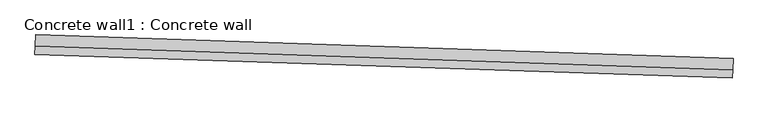
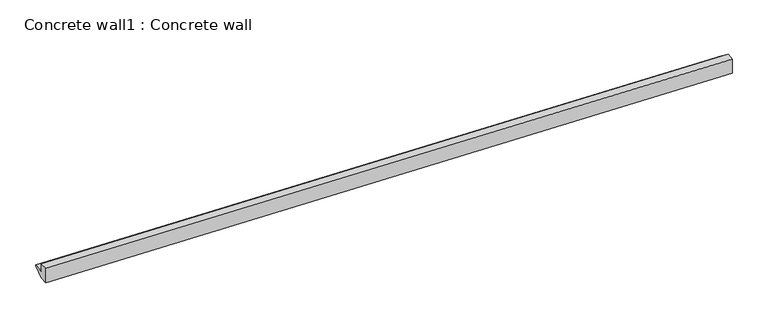
"""IFC4 building model written with IfcOpenShell, lengths in millimetres: proxy geometry, Concrete wall1 : Concrete wall."""

import ifcopenshell
import ifcopenshell.guid

model = None  # the IFC model being written
_history = None  # IfcOwnerHistory: only IFC2X3 demands one
_inside = {}  # id of a spatial element -> (the spatial element, [elements in it])
_under = {}  # id of a project, library or spatial element -> (it, [spatial elements below it])
_declared = {}  # id of a project -> (the project, [libraries it declares])
_typed = {}  # id of a type object -> (the type object, [elements of that type])
_made_of = {}  # id of a material, layer set ... -> (it, [elements and type objects made of it])


def new_model(schema):
    """Start an empty IFC model of exactly this schema.

    Asked for "IFC4X3", IfcOpenShell would pick the latest addendum, in which some entities
    have other attributes; the version numbers below select the first issue.
    IFC2X3 requires an IfcOwnerHistory on every rooted entity: one is made here for all.
    """
    global model, _history
    if schema == "IFC4X3":
        model = ifcopenshell.file(schema_version=(4, 3, 0, 0))
    else:
        model = ifcopenshell.file(schema=schema)
    _inside.clear()
    _under.clear()
    _declared.clear()
    _typed.clear()
    _made_of.clear()
    _history = None
    if model.schema == "IFC2X3":
        org = make("IfcOrganization", Name="unknown")
        user = make(
            "IfcPersonAndOrganization",
            ThePerson=make("IfcPerson", FamilyName="unknown"),
            TheOrganization=org,
        )
        app = make(
            "IfcApplication",
            ApplicationDeveloper=org,
            Version="unknown",
            ApplicationFullName="unknown",
            ApplicationIdentifier="unknown",
        )
        _history = make(
            "IfcOwnerHistory",
            OwningUser=user,
            OwningApplication=app,
            ChangeAction="ADDED",
            CreationDate=0,
        )
    return model


def make(cls, **values):
    """One entity of the class cls with the attributes given. An attribute that is None is left unset."""
    return model.create_entity(
        cls, **{name: value for name, value in values.items() if value is not None}
    )


def rooted(cls, **values):
    """An entity with a GlobalId (a new one), such as an element, a storey or a relation."""
    return make(cls, GlobalId=ifcopenshell.guid.new(), OwnerHistory=_history, **values)


def si_unit(unit_type, name, prefix=None):
    """IfcSIUnit, for example si_unit("LENGTHUNIT", "METRE", prefix="MILLI")."""
    return make("IfcSIUnit", UnitType=unit_type, Prefix=prefix, Name=name)


def assignment(units):
    """IfcUnitAssignment: the units of a project."""
    return None if units is None else make("IfcUnitAssignment", Units=units)


def point(xyz):
    """IfcCartesianPoint."""
    return None if xyz is None else make("IfcCartesianPoint", Coordinates=xyz)


def direction(xyz):
    """IfcDirection."""
    return None if xyz is None else make("IfcDirection", DirectionRatios=xyz)


def frame(location, z_axis=None, x_axis=None):
    """IfcAxis2Placement3D, a coordinate frame: its origin and axes. An axis left out is left unset."""
    return make(
        "IfcAxis2Placement3D",
        Location=point(location),
        Axis=direction(z_axis),
        RefDirection=direction(x_axis),
    )


def origin():
    """The frame at (0, 0, 0) with its axes left unset."""
    return frame((0.0, 0.0, 0.0))


def place(relative_to, where):
    """IfcLocalPlacement: puts the frame where relative to a parent placement (None: the world)."""
    return make(
        "IfcLocalPlacement", PlacementRelTo=relative_to, RelativePlacement=where
    )


def context(
    kind, dimensions, precision=None, world=None, true_north=None, identifier=None
):
    """IfcGeometricRepresentationContext, for example the 3D "Model" context."""
    return make(
        "IfcGeometricRepresentationContext",
        ContextIdentifier=identifier,
        ContextType=kind,
        CoordinateSpaceDimension=dimensions,
        Precision=precision,
        WorldCoordinateSystem=world,
        TrueNorth=true_north,
    )


def project(units=None, contexts=None):
    """IfcProject with its units and contexts."""
    return rooted(
        "IfcProject",
        Name="project",
        RepresentationContexts=contexts,
        UnitsInContext=assignment(units),
    )


def spatial(cls, under=None, at=None, **own):
    """A site, building, storey or space (cls), placed at a placement, below another one or the project."""
    s = rooted(cls, ObjectPlacement=at, **own)
    if under is not None:
        _under.setdefault(under.id(), (under, []))[1].append(s)
    return s


def polyline(points):
    """IfcPolyline through the points."""
    return make("IfcPolyline", Points=[point(p) for p in points])


def outline(outer, holes=None, kind="AREA"):
    """IfcArbitraryClosedProfileDef: a profile drawn as a closed curve; with holes, ...WithVoids."""
    if holes is None:
        return make("IfcArbitraryClosedProfileDef", ProfileType=kind, OuterCurve=outer)
    return make(
        "IfcArbitraryProfileDefWithVoids",
        ProfileType=kind,
        OuterCurve=outer,
        InnerCurves=holes,
    )


def extrude(swept, where, along, depth):
    """IfcExtrudedAreaSolid: the profile swept, set in the frame where, extruded along a direction by depth."""
    return make(
        "IfcExtrudedAreaSolid",
        SweptArea=swept,
        Position=where,
        ExtrudedDirection=direction(along),
        Depth=depth,
    )


def shape(context_of_items, identifier, shape_type, items):
    """IfcShapeRepresentation: the items that make up one representation, for example the "Body"."""
    return make(
        "IfcShapeRepresentation",
        ContextOfItems=context_of_items,
        RepresentationIdentifier=identifier,
        RepresentationType=shape_type,
        Items=items,
    )


def source(mapping_origin, context_of_items, identifier, shape_type, items):
    """IfcRepresentationMap: a shape defined once, which mapped items show again and again."""
    return make(
        "IfcRepresentationMap",
        MappingOrigin=mapping_origin,
        MappedRepresentation=shape(context_of_items, identifier, shape_type, items),
    )


def transform(
    local_origin,
    x_axis=None,
    y_axis=None,
    z_axis=None,
    scale=None,
    scale2=None,
    scale3=None,
    uniform=True,
):
    """IfcCartesianTransformationOperator3D, or its non-uniform kind. x_axis, y_axis, z_axis: its Axis1, 2, 3."""
    if uniform:
        return make(
            "IfcCartesianTransformationOperator3D",
            Axis1=direction(x_axis),
            Axis2=direction(y_axis),
            LocalOrigin=point(local_origin),
            Scale=scale,
            Axis3=direction(z_axis),
        )
    return make(
        "IfcCartesianTransformationOperator3DnonUniform",
        Axis1=direction(x_axis),
        Axis2=direction(y_axis),
        LocalOrigin=point(local_origin),
        Scale=scale,
        Axis3=direction(z_axis),
        Scale2=scale2,
        Scale3=scale3,
    )


def mapped(mapping_source, mapping_target):
    """IfcMappedItem: shows the shape of a source again, moved by a transform."""
    return make(
        "IfcMappedItem", MappingSource=mapping_source, MappingTarget=mapping_target
    )


def made_of(thing, what):
    """Note that an element or type object is made of a material, layer set ...; save() writes the relation."""
    if what is not None:
        _made_of.setdefault(what.id(), (what, []))[1].append(thing)
    return thing


def element(
    cls,
    number,
    at=None,
    inside=None,
    cuts=None,
    type_object=None,
    material=None,
    context=None,
    identifier="Body",
    shape_type=None,
    held_by="IfcProductDefinitionShape",
    body=None,
    shapes=None,
    **own,
):
    """One element of the class cls, such as IfcWall. Its Tag is "e" and its number.

    at: its placement. inside: the storey or other place that contains it. cuts: it is an
    opening in that element (IfcRelVoidsElement). A single representation is given by context,
    identifier, shape_type and body (its items); several are given by shapes. held_by: the class
    of the entity that holds the representations. save() writes the other relations.
    """
    e = rooted(cls, Tag="e%d" % number, ObjectPlacement=at, **own)
    if body is not None:
        shapes = [shape(context, identifier, shape_type, body)]
    if shapes is not None:
        e.Representation = make(held_by, Representations=shapes)
    if inside is not None:
        _inside.setdefault(inside.id(), (inside, []))[1].append(e)
    if cuts is not None:
        rooted(
            "IfcRelVoidsElement", RelatingBuildingElement=cuts, RelatedOpeningElement=e
        )
    if type_object is not None:
        _typed.setdefault(type_object.id(), (type_object, []))[1].append(e)
    return made_of(e, material)


def aggregate(whole, parts):
    """IfcRelAggregates: a whole, such as a stair, and the parts it consists of."""
    return rooted("IfcRelAggregates", RelatingObject=whole, RelatedObjects=parts)


def save(model, path):
    """Write the relations noted so far, then the file.

    IfcRelAggregates (storeys below a building ...), IfcRelContainedInSpatialStructure (elements
    in a storey), IfcRelDefinesByType, IfcRelAssociatesMaterial and IfcRelDeclares: one each for
    every whole, place, type object, material and project.
    """
    for whole, parts in _under.values():
        aggregate(whole, parts)
    for where, things in _inside.values():
        rooted(
            "IfcRelContainedInSpatialStructure",
            RelatedElements=things,
            RelatingStructure=where,
        )
    for kind, things in _typed.values():
        rooted("IfcRelDefinesByType", RelatedObjects=things, RelatingType=kind)
    for what, things in _made_of.values():
        rooted("IfcRelAssociatesMaterial", RelatedObjects=things, RelatingMaterial=what)
    for by, libraries in _declared.values():
        rooted("IfcRelDeclares", RelatingContext=by, RelatedDefinitions=libraries)
    model.write(path)


def concrete_wall1_concrete_wall_63b257ac(model_context):
    return source(origin(), model_context, "Body", "SweptSolid", [
        extrude(outline(polyline([(-143.2291196, 0.0), (161.497719, 0.0), (170.8130909, -15.0906566), (-64.2356446, -160.1848332), (42.5004351, -333.0944645), (-130.409171, -439.8305287), (-330.5390992, -115.6253285), (-143.2291196, 0.0)])), frame((34359.697154, -15320.8211295, 2907.3347334), z_axis=(-0.9994149475907894, 0.0342017913580554, 0.0), x_axis=(0.029103408435893274, 0.8504344439789416, 0.5252754021574226)), (0.0, 0.0, 1.0), 17068.8),
    ])


if __name__ == "__main__":
    model = new_model("IFC4")
    model_context = context("Model", 3, world=origin())
    ifc_project = project(units=[si_unit("LENGTHUNIT", "METRE", prefix="MILLI")], contexts=[model_context])
    site = spatial("IfcSite", under=ifc_project)
    building = spatial("IfcBuilding", under=site)
    placement = place(None, origin())
    concrete_wall1_concrete_wall_shape = concrete_wall1_concrete_wall_63b257ac(model_context)
    element("IfcBuildingElementProxy", 1, Name="Concrete wall1 : Concrete wall", ObjectType="Concrete wall1 : Concrete wall", at=placement, inside=building, context=model_context, shape_type="MappedRepresentation", body=[
        mapped(concrete_wall1_concrete_wall_shape, transform((0.0, 0.0, 0.0), x_axis=(1.0, 0.0, 0.0), y_axis=(0.0, 1.0, 0.0), z_axis=(0.0, 0.0, 1.0))),
    ])
    save(model, "model.ifc")
